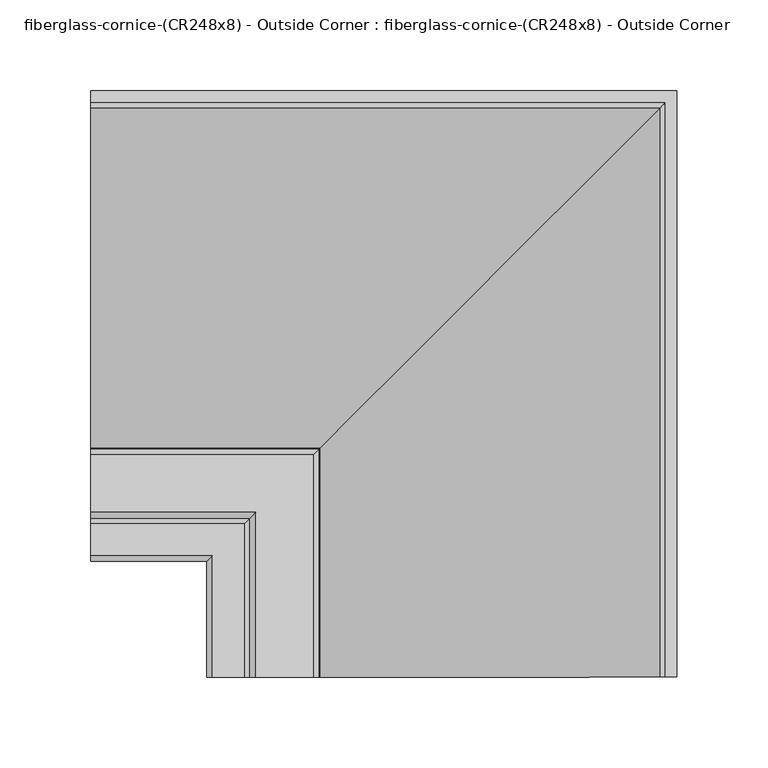
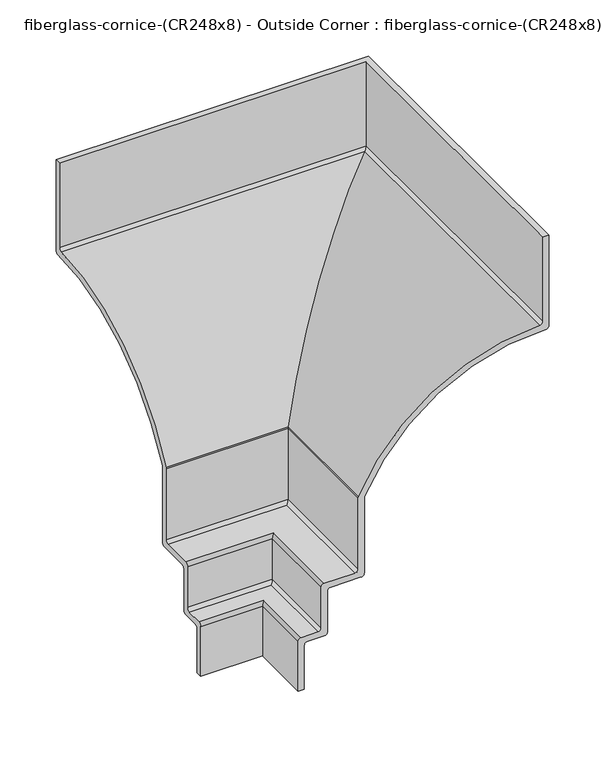
"""IFC4 building model written with IfcOpenShell, lengths in millimetres: furniture geometry, fiberglass-cornice-(CR248x8) - Outside Corner : fiberglass-cornice-(CR248x8) - Outside Corner."""

from ifc_helpers import new_model, si_unit, frame, origin, place, context, project, spatial, polyline, circle_curve, ellipse_curve, source, transform, mapped, element, save
from ifc_brep_helpers import plane_surface, cylinder_surface, revolved_surface, advanced_brep


def fiberglass_cornice_cr248x8_outside_corner_fiberglass_cornice_0174f7c9(model_context):
    return source(origin(), model_context, "Body", "AdvancedBrep", [
        advanced_brep(
        [(-196.9488213, 360.3625, 330.1999904), (-196.9488213, 360.3625, 231.8481398), (-196.9488213, 357.1402435, 228.6734915), (-196.9488213, 170.1665855, 112.1425073), (-196.9488213, 169.8625, 110.7866037), (-196.9488213, 169.8625, 28.5749904), (-196.9488213, 166.6875, 25.3999904), (-196.9488213, 134.9375, 25.3999904), (-196.9488213, 131.7625, 22.2249904), (-196.9488213, 131.7625, -22.2250009), (-196.9488213, 128.5875, -25.4000009), (-196.9488213, 111.125, -25.4000009), (-196.9488213, 107.95, -28.5750009), (-196.9488213, 107.95, -76.2000009), (-196.9488213, 101.6, -76.2000009), (-196.9488213, 101.6, -22.2250009), (-196.9488213, 104.775, -19.0500009), (-196.9488213, 122.2375, -19.0500009), (-196.9488213, 125.4125, -15.8750009), (-196.9488213, 125.4125, 28.5749904), (-196.9488213, 128.5875, 31.7499904), (-196.9488213, 160.3375, 31.7499904), (-196.9488213, 163.5125, 34.9249904), (-196.9488213, 163.5125, 112.1990401), (-196.9488213, 163.8072394, 113.5349756), (-196.9488213, 350.8863267, 235.0212181), (-196.9488213, 354.0125, 238.1958426), (-196.9488213, 354.0125, 330.1999904), (125.4128974, 38.0007813, 330.1999904), (119.0628974, 38.0007813, 330.1999904), (119.0628974, 38.0007813, 238.1958426), (115.9367241, 38.0007813, 235.0212181), (-71.1423632, 38.0007813, 113.5349756), (-71.4371026, 38.0007813, 112.1990401), (-71.4371026, 38.0007813, 34.9249904), (-74.6121026, 38.0007813, 31.7499904), (-106.3621026, 38.0007813, 31.7499904), (-109.5371026, 38.0007813, 28.5749904), (-109.5371026, 38.0007813, -15.8750009), (-112.7121026, 38.0007813, -19.0500009), (-130.1746026, 38.0007813, -19.0500009), (-133.3496026, 38.0007813, -22.2250009), (-133.3496026, 38.0007813, -76.2000009), (-126.9996026, 38.0007813, -76.2000009), (-126.9996026, 38.0007813, -28.5750009), (-123.8246026, 38.0007813, -25.4000009), (-106.3621026, 38.0007813, -25.4000009), (-103.1871026, 38.0007813, -22.2250009), (-103.1871026, 38.0007813, 22.2249904), (-100.0121026, 38.0007813, 25.3999904), (-68.2621026, 38.0007813, 25.3999904), (-65.0871026, 38.0007813, 28.5749904), (-65.0871026, 38.0007813, 110.7866037), (-64.7830171, 38.0007813, 112.1425073), (122.1906409, 38.0007813, 228.6734915), (125.4128974, 38.0007813, 231.8481398), (125.4128974, 360.3625, 330.1999904), (125.4128974, 360.3625, 231.8481398), (122.1906409, 357.1402435, 228.6734915), (-64.7830171, 170.1665855, 112.1425073), (-65.0871026, 169.8625, 110.7866037), (-65.0871026, 169.8625, 28.5749904), (-68.2621026, 166.6875, 25.3999904), (-100.0121026, 134.9375, 25.3999904), (-103.1871026, 131.7625, 22.2249904), (-103.1871026, 131.7625, -22.2250009), (-106.3621026, 128.5875, -25.4000009), (-123.8246026, 111.125, -25.4000009), (-126.9996026, 107.95, -28.5750009), (-126.9996026, 107.95, -76.2000009), (-133.3496026, 101.6, -76.2000009), (-133.3496026, 101.6, -22.2250009), (-130.1746026, 104.775, -19.0500009), (-112.7121026, 122.2375, -19.0500009), (-109.5371026, 125.4125, -15.8750009), (-109.5371026, 125.4125, 28.5749904), (-106.3621026, 128.5875, 31.7499904), (-74.6121026, 160.3375, 31.7499904), (-71.4371026, 163.5125, 34.9249904), (-71.4371026, 163.5125, 112.1990401), (-71.1423632, 163.8072394, 113.5349756), (115.9367241, 350.8863267, 235.0212181), (119.0628974, 354.0125, 238.1958426), (119.0628974, 354.0125, 330.1999904)],
        [
            (0, 1),
            (1, 2, circle_curve(frame((-196.9488213, 357.1875, 231.8481398), z_axis=(-1.0, 0.0, 0.0), x_axis=(0.0, 1.0, 0.0)), 3.175)),
            (2, 3, circle_curve(frame((-196.9488213, 354.1124157, 25.2667695), z_axis=(1.0, 0.0, 0.0), x_axis=(0.0, 1.0, 0.0)), 203.4292562)),
            (3, 4, circle_curve(frame((-196.9488213, 173.0375, 110.7866037), z_axis=(1.0, 0.0, 0.0), x_axis=(0.0, 1.0, 0.0)), 3.175)),
            (4, 5),
            (5, 6, circle_curve(frame((-196.9488213, 166.6875, 28.5749904), z_axis=(-1.0, 0.0, 0.0), x_axis=(0.0, 1.0, 0.0)), 3.175)),
            (6, 7),
            (7, 8, circle_curve(frame((-196.9488213, 134.9375, 22.2249904), z_axis=(1.0, 0.0, 0.0), x_axis=(0.0, 1.0, 0.0)), 3.175)),
            (8, 9),
            (9, 10, circle_curve(frame((-196.9488213, 128.5875, -22.2250009), z_axis=(-1.0, 0.0, 0.0), x_axis=(0.0, 1.0, 0.0)), 3.175)),
            (10, 11),
            (11, 12, circle_curve(frame((-196.9488213, 111.125, -28.5750009), z_axis=(1.0, 0.0, 0.0), x_axis=(0.0, 1.0, 0.0)), 3.175)),
            (12, 13),
            (13, 14),
            (14, 15),
            (15, 16, circle_curve(frame((-196.9488213, 104.775, -22.2250009), z_axis=(-1.0, 0.0, 0.0), x_axis=(0.0, 1.0, 0.0)), 3.175)),
            (16, 17),
            (17, 18, circle_curve(frame((-196.9488213, 122.2375, -15.8750009), z_axis=(1.0, 0.0, 0.0), x_axis=(0.0, 1.0, 0.0)), 3.175)),
            (18, 19),
            (19, 20, circle_curve(frame((-196.9488213, 128.5875, 28.5749904), z_axis=(-1.0, 0.0, 0.0), x_axis=(0.0, 1.0, 0.0)), 3.175)),
            (20, 21),
            (21, 22, circle_curve(frame((-196.9488213, 160.3375, 34.9249904), z_axis=(1.0, 0.0, 0.0), x_axis=(0.0, 1.0, 0.0)), 3.175)),
            (22, 23),
            (23, 24, circle_curve(frame((-196.9488213, 166.6875, 112.1990401), z_axis=(-1.0, 0.0, 0.0), x_axis=(0.0, 1.0, 0.0)), 3.175)),
            (24, 25, circle_curve(frame((-196.9488213, 354.1124157, 25.2667695), z_axis=(-1.0, 0.0, 0.0), x_axis=(0.0, 1.0, 0.0)), 209.7792562)),
            (25, 26, circle_curve(frame((-196.9488213, 350.8375, 238.1958426), z_axis=(1.0, 0.0, 0.0), x_axis=(0.0, 1.0, 0.0)), 3.175)),
            (26, 27),
            (27, 0),
            (28, 29),
            (29, 30),
            (30, 31, circle_curve(frame((115.8878974, 38.0007813, 238.1958426), z_axis=(0.0, 1.0, 0.0), x_axis=(1.0, 0.0, 0.0)), 3.175)),
            (31, 32, circle_curve(frame((119.1628131, 38.0007813, 25.2667695), z_axis=(0.0, -1.0, 0.0), x_axis=(1.0, 0.0, 0.0)), 209.7792562)),
            (32, 33, circle_curve(frame((-68.2621026, 38.0007813, 112.1990401), z_axis=(0.0, -1.0, 0.0), x_axis=(1.0, 0.0, 0.0)), 3.175)),
            (33, 34),
            (34, 35, circle_curve(frame((-74.6121026, 38.0007813, 34.9249904), z_axis=(0.0, 1.0, 0.0), x_axis=(1.0, 0.0, 0.0)), 3.175)),
            (35, 36),
            (36, 37, circle_curve(frame((-106.3621026, 38.0007813, 28.5749904), z_axis=(0.0, -1.0, 0.0), x_axis=(1.0, 0.0, 0.0)), 3.175)),
            (37, 38),
            (38, 39, circle_curve(frame((-112.7121026, 38.0007813, -15.8750009), z_axis=(0.0, 1.0, 0.0), x_axis=(1.0, 0.0, 0.0)), 3.175)),
            (39, 40),
            (40, 41, circle_curve(frame((-130.1746026, 38.0007813, -22.2250009), z_axis=(0.0, -1.0, 0.0), x_axis=(1.0, 0.0, 0.0)), 3.175)),
            (41, 42),
            (42, 43),
            (43, 44),
            (44, 45, circle_curve(frame((-123.8246026, 38.0007813, -28.5750009), z_axis=(0.0, 1.0, 0.0), x_axis=(1.0, 0.0, 0.0)), 3.175)),
            (45, 46),
            (46, 47, circle_curve(frame((-106.3621026, 38.0007813, -22.2250009), z_axis=(0.0, -1.0, 0.0), x_axis=(1.0, 0.0, 0.0)), 3.175)),
            (47, 48),
            (48, 49, circle_curve(frame((-100.0121026, 38.0007813, 22.2249904), z_axis=(0.0, 1.0, 0.0), x_axis=(1.0, 0.0, 0.0)), 3.175)),
            (49, 50),
            (50, 51, circle_curve(frame((-68.2621026, 38.0007813, 28.5749904), z_axis=(0.0, -1.0, 0.0), x_axis=(1.0, 0.0, 0.0)), 3.175)),
            (51, 52),
            (52, 53, circle_curve(frame((-61.9121026, 38.0007813, 110.7866037), z_axis=(0.0, 1.0, 0.0), x_axis=(1.0, 0.0, 0.0)), 3.175)),
            (53, 54, circle_curve(frame((119.1628131, 38.0007813, 25.2667695), z_axis=(0.0, 1.0, 0.0), x_axis=(1.0, 0.0, 0.0)), 203.4292562)),
            (54, 55, circle_curve(frame((122.2378974, 38.0007813, 231.8481398), z_axis=(0.0, -1.0, 0.0), x_axis=(1.0, 0.0, 0.0)), 3.175)),
            (55, 28),
            (0, 56),
            (56, 57),
            (57, 1),
            (57, 58, ellipse_curve(frame((122.2378974, 357.1875, 231.8481398), z_axis=(-0.7071067811865563, 0.7071067811865387, 0.0), x_axis=(-0.7071067811865387, -0.7071067811865565, 0.0)), 4.4901281, 3.175)),
            (58, 2),
            (58, 59, ellipse_curve(frame((119.1628131, 354.1124157, 25.2667695), z_axis=(0.7071067811865563, -0.7071067811865387, 0.0), x_axis=(0.7071067811865387, 0.7071067811865565, 0.0)), 287.6924131, 203.4292562)),
            (59, 3),
            (59, 60, ellipse_curve(frame((-61.9121026, 173.0375, 110.7866037), z_axis=(0.7071067811865563, -0.7071067811865387, 0.0), x_axis=(0.7071067811865387, 0.7071067811865565, 0.0)), 4.4901281, 3.175)),
            (60, 4),
            (60, 61),
            (61, 5),
            (61, 62, ellipse_curve(frame((-68.2621026, 166.6875, 28.5749904), z_axis=(-0.7071067811865563, 0.7071067811865387, 0.0), x_axis=(-0.7071067811865387, -0.7071067811865565, 0.0)), 4.4901281, 3.175)),
            (62, 6),
            (62, 50),
            (49, 63),
            (63, 7),
            (63, 64, ellipse_curve(frame((-100.0121026, 134.9375, 22.2249904), z_axis=(0.7071067811865563, -0.7071067811865387, 0.0), x_axis=(0.7071067811865387, 0.7071067811865565, 0.0)), 4.4901281, 3.175)),
            (64, 8),
            (64, 65),
            (65, 9),
            (65, 66, ellipse_curve(frame((-106.3621026, 128.5875, -22.2250009), z_axis=(-0.7071067811865563, 0.7071067811865387, 0.0), x_axis=(-0.7071067811865387, -0.7071067811865565, 0.0)), 4.4901281, 3.175)),
            (66, 10),
            (66, 46),
            (45, 67),
            (67, 11),
            (67, 68, ellipse_curve(frame((-123.8246026, 111.125, -28.5750009), z_axis=(0.7071067811865563, -0.7071067811865387, 0.0), x_axis=(0.7071067811865387, 0.7071067811865565, 0.0)), 4.4901281, 3.175)),
            (68, 12),
            (68, 69),
            (69, 13),
            (69, 43),
            (42, 70),
            (70, 14),
            (70, 71),
            (71, 15),
            (71, 72, ellipse_curve(frame((-130.1746026, 104.775, -22.2250009), z_axis=(-0.7071067811865563, 0.7071067811865387, 0.0), x_axis=(-0.7071067811865387, -0.7071067811865565, 0.0)), 4.4901281, 3.175)),
            (72, 16),
            (72, 40),
            (39, 73),
            (73, 17),
            (73, 74, ellipse_curve(frame((-112.7121026, 122.2375, -15.8750009), z_axis=(0.7071067811865563, -0.7071067811865387, 0.0), x_axis=(0.7071067811865387, 0.7071067811865565, 0.0)), 4.4901281, 3.175)),
            (74, 18),
            (74, 75),
            (75, 19),
            (75, 76, ellipse_curve(frame((-106.3621026, 128.5875, 28.5749904), z_axis=(-0.7071067811865563, 0.7071067811865387, 0.0), x_axis=(-0.7071067811865387, -0.7071067811865565, 0.0)), 4.4901281, 3.175)),
            (76, 20),
            (76, 36),
            (35, 77),
            (77, 21),
            (77, 78, ellipse_curve(frame((-74.6121026, 160.3375, 34.9249904), z_axis=(0.7071067811865563, -0.7071067811865387, 0.0), x_axis=(0.7071067811865387, 0.7071067811865565, 0.0)), 4.4901281, 3.175)),
            (78, 22),
            (78, 79),
            (79, 23),
            (79, 80, ellipse_curve(frame((-68.2621026, 166.6875, 112.1990401), z_axis=(-0.7071067811865563, 0.7071067811865387, 0.0), x_axis=(-0.7071067811865387, -0.7071067811865565, 0.0)), 4.4901281, 3.175)),
            (80, 24),
            (80, 81, ellipse_curve(frame((119.1628131, 354.1124157, 25.2667695), z_axis=(-0.7071067811865563, 0.7071067811865387, 0.0), x_axis=(-0.7071067811865387, -0.7071067811865565, 0.0)), 296.6726692, 209.7792562)),
            (81, 25),
            (81, 82, ellipse_curve(frame((115.8878974, 350.8375, 238.1958426), z_axis=(0.7071067811865563, -0.7071067811865387, 0.0), x_axis=(0.7071067811865387, 0.7071067811865565, 0.0)), 4.4901281, 3.175)),
            (82, 26),
            (82, 83),
            (83, 27),
            (83, 29),
            (28, 56),
            (55, 57),
            (54, 58),
            (53, 59),
            (52, 60),
            (51, 61),
            (48, 64),
            (47, 65),
            (44, 68),
            (41, 71),
            (38, 74),
            (37, 75),
            (34, 78),
            (33, 79),
            (32, 80),
            (31, 81),
            (30, 82),
        ],
        [
            plane_surface(frame((-196.9488213, 101.6, 330.1999904), z_axis=(-1.0, 0.0, 0.0), x_axis=(0.0, 0.0, 1.0))),
            plane_surface(frame((-133.3496026, 38.0007813, 330.1999904), z_axis=(0.0, -1.0, 0.0), x_axis=(0.0, 0.0, 1.0))),
            plane_surface(frame((-196.9488213, 360.3625, 330.1999904), z_axis=(0.0, 1.0, 0.0), x_axis=(1.0, 0.0, 0.0))),
            cylinder_surface(frame((-196.9488213, 357.1875, 231.8481398), z_axis=(-1.0, 0.0, 0.0), x_axis=(0.0, 1.0, 0.0)), 3.175),
            revolved_surface(polyline([(322.592069298929, 557.5416719, 25.2667695), (-196.9488213, 557.5416719, 25.2667695)]), (-196.9488213, 354.1124157, 25.2667695), (1.0, 0.0, 0.0)),
            revolved_surface(polyline([(-58.73710257209376, 176.2125, 110.7866037), (-196.9488213, 176.2125, 110.7866037)]), (-196.9488213, 173.0375, 110.7866037), (1.0, 0.0, 0.0)),
            plane_surface(frame((-196.9488213, 169.8625, 110.7866037), z_axis=(0.0, 1.0, 0.0), x_axis=(1.0, 0.0, 0.0))),
            cylinder_surface(frame((-196.9488213, 166.6875, 28.5749904), z_axis=(-1.0, 0.0, 0.0), x_axis=(0.0, 1.0, 0.0)), 3.175),
            plane_surface(frame((-196.9488213, 166.6875, 25.3999904), z_axis=(0.0, 0.0, -1.0), x_axis=(1.0, 0.0, 0.0))),
            revolved_surface(polyline([(-96.83710257209378, 138.1125, 22.2249904), (-196.9488213, 138.1125, 22.2249904)]), (-196.9488213, 134.9375, 22.2249904), (1.0, 0.0, 0.0)),
            plane_surface(frame((-196.9488213, 131.7625, 22.2249904), z_axis=(0.0, 1.0, 0.0), x_axis=(1.0, 0.0, 0.0))),
            cylinder_surface(frame((-196.9488213, 128.5875, -22.2250009), z_axis=(-1.0, 0.0, 0.0), x_axis=(0.0, 1.0, 0.0)), 3.175),
            plane_surface(frame((-196.9488213, 128.5875, -25.4000009), z_axis=(0.0, 0.0, -1.0), x_axis=(1.0, 0.0, 0.0))),
            revolved_surface(polyline([(-120.64960257209378, 114.3, -28.5750009), (-196.9488213, 114.3, -28.5750009)]), (-196.9488213, 111.125, -28.5750009), (1.0, 0.0, 0.0)),
            plane_surface(frame((-196.9488213, 107.95, -28.5750009), z_axis=(0.0, 1.0, 0.0), x_axis=(1.0, 0.0, 0.0))),
            plane_surface(frame((-196.9488213, 107.95, -76.2000009), z_axis=(0.0, 0.0, -1.0), x_axis=(1.0, 0.0, 0.0))),
            plane_surface(frame((-196.9488213, 101.6, -76.2000009), z_axis=(0.0, -1.0, 0.0), x_axis=(1.0, 0.0, 0.0))),
            cylinder_surface(frame((-196.9488213, 104.775, -22.2250009), z_axis=(-1.0, 0.0, 0.0), x_axis=(0.0, 1.0, 0.0)), 3.175),
            plane_surface(frame((-196.9488213, 104.775, -19.0500009), z_axis=(0.0, 0.0, 1.0), x_axis=(1.0, 0.0, 0.0))),
            revolved_surface(polyline([(-109.53710257209377, 125.4125, -15.8750009), (-196.9488213, 125.4125, -15.8750009)]), (-196.9488213, 122.2375, -15.8750009), (1.0, 0.0, 0.0)),
            plane_surface(frame((-196.9488213, 125.4125, -15.8750009), z_axis=(0.0, -1.0, 0.0), x_axis=(1.0, 0.0, 0.0))),
            cylinder_surface(frame((-196.9488213, 128.5875, 28.5749904), z_axis=(-1.0, 0.0, 0.0), x_axis=(0.0, 1.0, 0.0)), 3.175),
            plane_surface(frame((-196.9488213, 128.5875, 31.7499904), z_axis=(0.0, 0.0, 1.0), x_axis=(1.0, 0.0, 0.0))),
            revolved_surface(polyline([(-71.43710257209378, 163.51250000000002, 34.9249904), (-196.9488213, 163.51250000000002, 34.9249904)]), (-196.9488213, 160.3375, 34.9249904), (1.0, 0.0, 0.0)),
            plane_surface(frame((-196.9488213, 163.5125, 34.9249904), z_axis=(0.0, -1.0, 0.0), x_axis=(1.0, 0.0, 0.0))),
            cylinder_surface(frame((-196.9488213, 166.6875, 112.1990401), z_axis=(-1.0, 0.0, 0.0), x_axis=(0.0, 1.0, 0.0)), 3.175),
            cylinder_surface(frame((-196.9488213, 354.1124157, 25.2667695), z_axis=(-1.0, 0.0, 0.0), x_axis=(0.0, 1.0, 0.0)), 209.7792562),
            revolved_surface(polyline([(119.06289742790622, 354.0125, 238.1958426), (-196.9488213, 354.0125, 238.1958426)]), (-196.9488213, 350.8375, 238.1958426), (1.0, 0.0, 0.0)),
            plane_surface(frame((-196.9488213, 354.0125, 238.1958426), z_axis=(0.0, -1.0, 0.0), x_axis=(1.0, 0.0, 0.0))),
            plane_surface(frame((-196.9488213, 354.0125, 330.1999904), z_axis=(0.0, 0.0, 1.0), x_axis=(1.0, 0.0, 0.0))),
            plane_surface(frame((125.4128974, 360.3625, 330.1999904), z_axis=(1.0, 0.0, 0.0), x_axis=(0.0, -1.0, 0.0))),
            cylinder_surface(frame((122.2378974, 101.6, 231.8481398), z_axis=(0.0, 1.0, 0.0), x_axis=(1.0, 0.0, 0.0)), 3.175),
            revolved_surface(polyline([(322.5920693, 38.0007813, 25.2667695), (322.5920693, 557.5416718989342, 25.2667695)]), (119.1628131, 101.6, 25.2667695), (0.0, -1.0, 0.0)),
            revolved_surface(polyline([(-58.7371026, 38.0007813, 110.7866037), (-58.7371026, 176.2125000279063, 110.7866037)]), (-61.9121026, 101.6, 110.7866037), (0.0, -1.0, 0.0)),
            plane_surface(frame((-65.0871026, 169.8625, 110.7866037), z_axis=(1.0, 0.0, 0.0), x_axis=(0.0, -1.0, 0.0))),
            cylinder_surface(frame((-68.2621026, 101.6, 28.5749904), z_axis=(0.0, 1.0, 0.0), x_axis=(1.0, 0.0, 0.0)), 3.175),
            revolved_surface(polyline([(-96.83710260000001, 38.0007813, 22.2249904), (-96.83710260000001, 138.11250002790632, 22.2249904)]), (-100.0121026, 101.6, 22.2249904), (0.0, -1.0, 0.0)),
            plane_surface(frame((-103.1871026, 131.7625, 22.2249904), z_axis=(1.0, 0.0, 0.0), x_axis=(0.0, -1.0, 0.0))),
            cylinder_surface(frame((-106.3621026, 101.6, -22.2250009), z_axis=(0.0, 1.0, 0.0), x_axis=(1.0, 0.0, 0.0)), 3.175),
            revolved_surface(polyline([(-120.64960260000001, 38.0007813, -28.5750009), (-120.64960260000001, 114.30000002790631, -28.5750009)]), (-123.8246026, 101.6, -28.5750009), (0.0, -1.0, 0.0)),
            plane_surface(frame((-126.9996026, 107.95, -28.5750009), z_axis=(1.0, 0.0, 0.0), x_axis=(0.0, -1.0, 0.0))),
            plane_surface(frame((-133.3496026, 101.6, -76.2000009), z_axis=(-1.0, 0.0, 0.0), x_axis=(0.0, -1.0, 0.0))),
            cylinder_surface(frame((-130.1746026, 101.6, -22.2250009), z_axis=(0.0, 1.0, 0.0), x_axis=(1.0, 0.0, 0.0)), 3.175),
            revolved_surface(polyline([(-109.5371026, 38.0007813, -15.8750009), (-109.5371026, 125.4125000279063, -15.8750009)]), (-112.7121026, 101.6, -15.8750009), (0.0, -1.0, 0.0)),
            plane_surface(frame((-109.5371026, 125.4125, -15.8750009), z_axis=(-1.0, 0.0, 0.0), x_axis=(0.0, -1.0, 0.0))),
            cylinder_surface(frame((-106.3621026, 101.6, 28.5749904), z_axis=(0.0, 1.0, 0.0), x_axis=(1.0, 0.0, 0.0)), 3.175),
            revolved_surface(polyline([(-71.4371026, 38.0007813, 34.9249904), (-71.4371026, 163.5125000279063, 34.9249904)]), (-74.6121026, 101.6, 34.9249904), (0.0, -1.0, 0.0)),
            plane_surface(frame((-71.4371026, 163.5125, 34.9249904), z_axis=(-1.0, 0.0, 0.0), x_axis=(0.0, -1.0, 0.0))),
            cylinder_surface(frame((-68.2621026, 101.6, 112.1990401), z_axis=(0.0, 1.0, 0.0), x_axis=(1.0, 0.0, 0.0)), 3.175),
            cylinder_surface(frame((119.1628131, 101.6, 25.2667695), z_axis=(0.0, 1.0, 0.0), x_axis=(1.0, 0.0, 0.0)), 209.7792562),
            revolved_surface(polyline([(119.0628974, 38.0007813, 238.1958426), (119.0628974, 354.0125000279063, 238.1958426)]), (115.8878974, 101.6, 238.1958426), (0.0, -1.0, 0.0)),
            plane_surface(frame((119.0628974, 354.0125, 238.1958426), z_axis=(-1.0, 0.0, 0.0), x_axis=(0.0, -1.0, 0.0))),
        ],
        [
            (0, [[1, 2, 3, 4, 5, 6, 7, 8, 9, 10, 11, 12, 13, 14, 15, 16, 17, 18, 19, 20, 21, 22, 23, 24, 25, 26, 27, 28]]),
            (1, [[29, 30, 31, 32, 33, 34, 35, 36, 37, 38, 39, 40, 41, 42, 43, 44, 45, 46, 47, 48, 49, 50, 51, 52, 53, 54, 55, 56]]),
            (2, [[-1, 57, 58, 59]]),
            (3, [[-2, -59, 60, 61]]),
            (4, [[-3, -61, 62, 63]]),
            (5, [[-4, -63, 64, 65]]),
            (6, [[-5, -65, 66, 67]]),
            (7, [[-6, -67, 68, 69]]),
            (8, [[-7, -69, 70, -50, 71, 72]]),
            (9, [[-8, -72, 73, 74]]),
            (10, [[-9, -74, 75, 76]]),
            (11, [[-10, -76, 77, 78]]),
            (12, [[-11, -78, 79, -46, 80, 81]]),
            (13, [[-12, -81, 82, 83]]),
            (14, [[-13, -83, 84, 85]]),
            (15, [[-14, -85, 86, -43, 87, 88]]),
            (16, [[-15, -88, 89, 90]]),
            (17, [[-16, -90, 91, 92]]),
            (18, [[-17, -92, 93, -40, 94, 95]]),
            (19, [[-18, -95, 96, 97]]),
            (20, [[-19, -97, 98, 99]]),
            (21, [[-20, -99, 100, 101]]),
            (22, [[-21, -101, 102, -36, 103, 104]]),
            (23, [[-22, -104, 105, 106]]),
            (24, [[-23, -106, 107, 108]]),
            (25, [[-24, -108, 109, 110]]),
            (26, [[-25, -110, 111, 112]]),
            (27, [[-26, -112, 113, 114]]),
            (28, [[-27, -114, 115, 116]]),
            (29, [[-28, -116, 117, -29, 118, -57]]),
            (30, [[-58, -118, -56, 119]]),
            (31, [[-60, -119, -55, 120]]),
            (32, [[-62, -120, -54, 121]]),
            (33, [[-64, -121, -53, 122]]),
            (34, [[-66, -122, -52, 123]]),
            (35, [[-68, -123, -51, -70]]),
            (36, [[-73, -71, -49, 124]]),
            (37, [[-75, -124, -48, 125]]),
            (38, [[-77, -125, -47, -79]]),
            (39, [[-82, -80, -45, 126]]),
            (40, [[-84, -126, -44, -86]]),
            (41, [[-89, -87, -42, 127]]),
            (42, [[-91, -127, -41, -93]]),
            (43, [[-96, -94, -39, 128]]),
            (44, [[-98, -128, -38, 129]]),
            (45, [[-100, -129, -37, -102]]),
            (46, [[-105, -103, -35, 130]]),
            (47, [[-107, -130, -34, 131]]),
            (48, [[-109, -131, -33, 132]]),
            (49, [[-111, -132, -32, 133]]),
            (50, [[-113, -133, -31, 134]]),
            (51, [[-115, -134, -30, -117]]),
        ],
    ),
    ])


if __name__ == "__main__":
    model = new_model("IFC4")
    model_context = context("Model", 3, world=origin())
    ifc_project = project(units=[si_unit("LENGTHUNIT", "METRE", prefix="MILLI")], contexts=[model_context])
    site = spatial("IfcSite", under=ifc_project)
    building = spatial("IfcBuilding", under=site)
    placement = place(None, origin())
    fiberglass_cornice_cr248x8_outside_corner_fiberglass_cornice_shape = fiberglass_cornice_cr248x8_outside_corner_fiberglass_cornice_0174f7c9(model_context)
    element("IfcFurniture", 1, ObjectType="fiberglass-cornice-(CR248x8) - Outside Corner : fiberglass-cornice-(CR248x8) - Outside Corner", at=placement, inside=building, context=model_context, shape_type="MappedRepresentation", body=[
        mapped(fiberglass_cornice_cr248x8_outside_corner_fiberglass_cornice_shape, transform((0.0, 0.0, 0.0), x_axis=(1.0, 0.0, 0.0), y_axis=(0.0, 1.0, 0.0), z_axis=(0.0, 0.0, 1.0))),
    ])
    save(model, "model.ifc")
